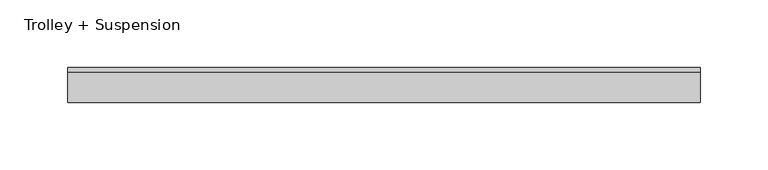
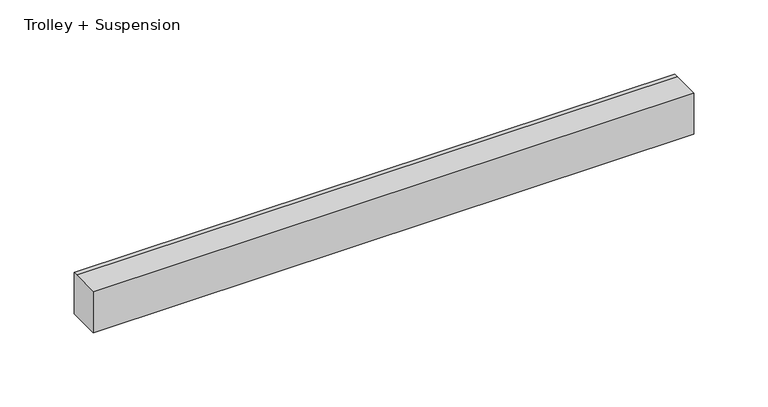
"""IFC4 building model written with IfcOpenShell, lengths in millimetres: proxy geometry, Trolley + Suspension."""

from ifc_helpers import new_model, si_unit, frame, origin, place, context, project, spatial, polyline, outline, extrude, source, transform, mapped, element, save


def trolley_suspension_366aa989(model_context):
    return source(origin(), model_context, "Body", "SweptSolid", [
        extrude(outline(polyline([(-13.0, 34.0), (9.692747, 34.0), (13.0, 34.0), (13.0, 0.0), (-13.0, 0.0), (-13.0, 34.0)])), frame((-35.0, 0.0, 0.0), z_axis=(1.0, 0.0, 0.0), x_axis=(0.0, 1.0, 0.0)), (0.0, 0.0, 1.0), 468.0),
    ])


if __name__ == "__main__":
    model = new_model("IFC4")
    model_context = context("Model", 3, world=origin())
    ifc_project = project(units=[si_unit("LENGTHUNIT", "METRE", prefix="MILLI")], contexts=[model_context])
    site = spatial("IfcSite", under=ifc_project)
    building = spatial("IfcBuilding", under=site)
    placement = place(None, origin())
    trolley_suspension_shape = trolley_suspension_366aa989(model_context)
    element("IfcBuildingElementProxy", 1, Name="Trolley + Suspension", ObjectType="Trolley + Suspension", at=placement, inside=building, context=model_context, shape_type="MappedRepresentation", body=[
        mapped(trolley_suspension_shape, transform((0.0, 0.0, 0.0), x_axis=(1.0, 0.0, 0.0), y_axis=(0.0, 1.0, 0.0), z_axis=(0.0, 0.0, 1.0))),
    ])
    save(model, "model.ifc")
